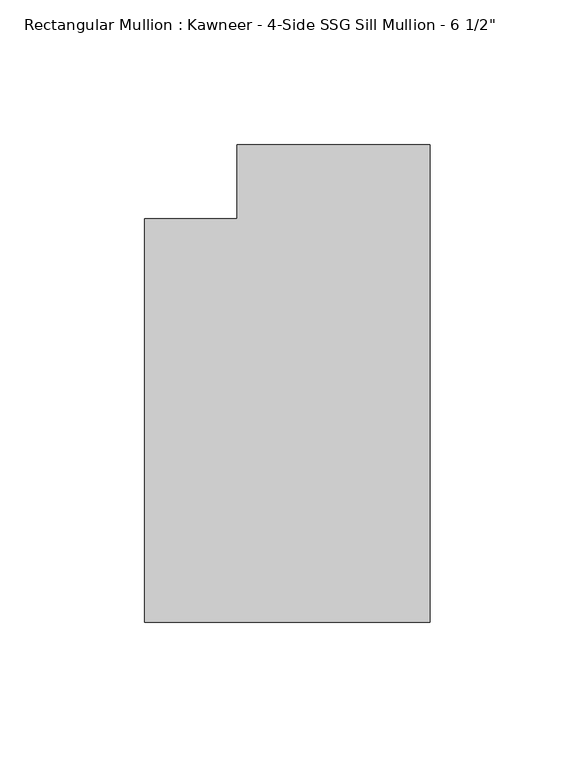
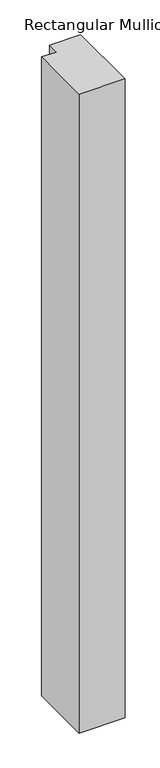
"""IFC4 building model written with IfcOpenShell, lengths in millimetres: member geometry."""

from ifc_helpers import new_model, si_unit, frame, origin, place, context, project, spatial, polyline, outline, extrude, source, transform, mapped, element, save


def member_8bb27ac4(model_context):
    return source(origin(), model_context, "Body", "SweptSolid", [
        extrude(outline(polyline([(0.0, -151.892), (-98.425, -151.892), (-98.425, -12.7), (-66.6751132, -12.7), (-66.6751132, 12.7), (0.0, 12.7), (0.0, -151.892)])), frame((0.0, 0.0, -1446.6651679), z_axis=(0.0, 0.0, 1.0), x_axis=(1.0, 0.0, 0.0)), (0.0, 0.0, 1.0), 1446.6651679),
    ])


if __name__ == "__main__":
    model = new_model("IFC4")
    model_context = context("Model", 3, world=origin())
    ifc_project = project(units=[si_unit("LENGTHUNIT", "METRE", prefix="MILLI")], contexts=[model_context])
    site = spatial("IfcSite", under=ifc_project)
    building = spatial("IfcBuilding", under=site)
    placement = place(None, origin())
    member_shape = member_8bb27ac4(model_context)
    element("IfcMember", 1, ObjectType="Rectangular Mullion : Kawneer - 4-Side SSG Sill Mullion - 6 1/2\"", at=placement, inside=building, context=model_context, shape_type="MappedRepresentation", body=[
        mapped(member_shape, transform((0.0, 0.0, 0.0), x_axis=(1.0, 0.0, 0.0), y_axis=(0.0, 1.0, 0.0), z_axis=(0.0, 0.0, 1.0))),
    ])
    save(model, "model.ifc")
